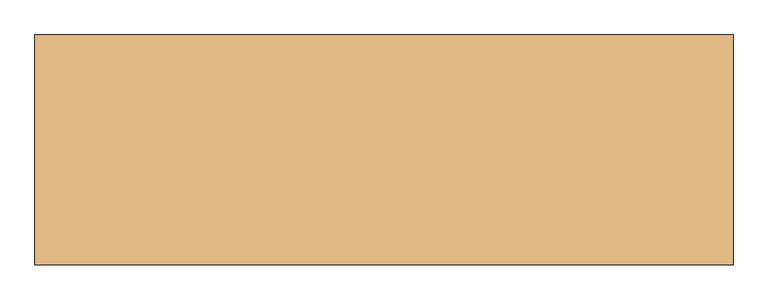
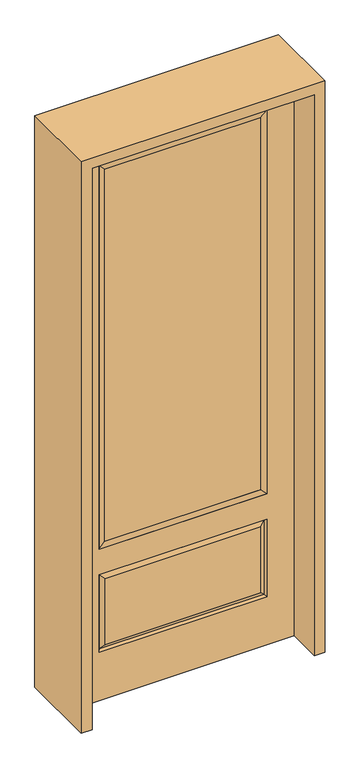
"""IFC4 building model written with IfcOpenShell, lengths in millimetres: door geometry."""

from ifc_helpers import new_model, si_unit, frame, origin, place, context, project, spatial, polyline, outline, extrude, faceted_brep, source, transform, mapped, element, save


def door_6a267a27(model_context):
    return source(origin(), model_context, "Body", "SolidModel", [
        extrude(outline(polyline([(320.675, -20.32), (-320.675, -20.32), (-320.675, 5.08), (320.675, 5.08), (320.675, -20.32)])), frame((0.0, 0.0, 682.498), z_axis=(0.0, 0.0, 1.0), x_axis=(1.0, 0.0, 0.0)), (0.0, 0.0, 1.0), 1616.202),
        faceted_brep([(-338.9661499, -12.7912373, 216.6588501), (338.9661499, -12.7912373, 216.6588501), (321.46875, -22.225, 234.15625), (-321.46875, -22.225, 234.15625), (-346.075, -22.225, 209.55), (346.075, -22.225, 209.55), (-338.9661499, -12.7912373, 538.9911499), (-346.075, -22.225, 546.1), (321.46875, -22.225, 521.49375), (-321.46875, -22.225, 521.49375), (457.2, -22.225, 2438.4), (-457.2, -22.225, 2438.4), (-457.2, -22.225, 0.0), (457.2, -22.225, 0.0), (346.075, -22.225, 546.1), (346.075, -22.225, 2324.1), (346.075, -22.225, 657.098), (-346.075, -22.225, 657.098), (-346.075, -22.225, 2324.1), (338.9661499, -12.7912373, 538.9911499), (-457.2, 22.225, 2438.4), (-457.2, 22.225, 0.0), (457.2, 22.225, 0.0), (457.2, 22.225, 2438.4), (346.075, 22.225, 2324.1), (346.075, 22.225, 657.098), (-346.075, 22.225, 657.098), (-346.075, 22.225, 2324.1), (-346.075, 22.225, 209.55), (346.075, 22.225, 209.55), (346.075, 22.225, 546.1), (-346.075, 22.225, 546.1), (321.46875, 22.225, 234.15625), (-321.46875, 22.225, 234.15625), (-321.46875, 22.225, 521.49375), (321.46875, 22.225, 521.49375), (-338.9661499, 12.7912373, 216.6588501), (338.9661499, 12.7912373, 216.6588501), (338.9661499, 12.7912373, 538.9911499), (-338.9661499, 12.7912373, 538.9911499)], [[[0, 1, 2, 3]], [[1, 0, 4, 5]], [[4, 0, 6, 7]], [[3, 2, 8, 9]], [[10, 11, 12, 13], [5, 4, 7, 14], [15, 16, 17, 18]], [[1, 5, 14, 19]], [[2, 1, 19, 8]], [[0, 3, 9, 6]], [[7, 6, 19, 14]], [[6, 9, 8, 19]], [[12, 11, 20, 21]], [[13, 12, 21, 22]], [[10, 13, 22, 23]], [[16, 15, 24, 25]], [[17, 16, 25, 26]], [[18, 17, 26, 27]], [[23, 22, 21, 20], [28, 29, 30, 31], [24, 27, 26, 25]], [[32, 33, 34, 35]], [[28, 36, 37, 29]], [[29, 37, 38, 30]], [[39, 31, 30, 38]], [[36, 28, 31, 39]], [[37, 36, 33, 32]], [[33, 36, 39, 34]], [[34, 39, 38, 35]], [[37, 32, 35, 38]], [[11, 10, 23, 20]], [[15, 18, 27, 24]]]),
        faceted_brep([(-346.075, -22.225, 2324.1), (-346.075, 22.225, 2324.1), (-346.075, 22.225, 657.098), (-346.075, -22.225, 657.098), (346.075, 22.225, 657.098), (346.075, -22.225, 657.098), (-320.675, 5.08, 682.498), (320.675, 5.08, 682.498), (346.075, 22.225, 2324.1), (346.075, -22.225, 2324.1), (-320.675, -20.32, 682.498), (320.675, -20.32, 682.498), (-320.675, -20.32, 2298.7), (320.675, -20.32, 2298.7), (-320.675, 5.08, 2298.7), (320.675, 5.08, 2298.7)], [[[0, 1, 2, 3]], [[3, 2, 4, 5]], [[2, 6, 7, 4]], [[5, 4, 8, 9]], [[10, 3, 5, 11]], [[12, 0, 3, 10]], [[11, 5, 9, 13]], [[6, 10, 11, 7]], [[14, 12, 10, 6]], [[7, 11, 13, 15]], [[1, 14, 6, 2]], [[4, 7, 15, 8]], [[9, 8, 1, 0]], [[13, 9, 0, 12]], [[15, 13, 12, 14]], [[8, 15, 14, 1]]]),
        extrude(outline(polyline([(2482.85, -501.65), (0.0, -501.65), (0.0, -457.2), (2438.4, -457.2), (2438.4, 457.2), (0.0, 457.2), (0.0, 501.65), (2482.85, 501.65), (2482.85, -501.65)])), frame((0.0, -165.1, 0.0), z_axis=(0.0, 1.0, 0.0), x_axis=(0.0, 0.0, 1.0)), (0.0, 0.0, 1.0), 330.2),
    ])


if __name__ == "__main__":
    model = new_model("IFC4")
    model_context = context("Model", 3, world=origin())
    ifc_project = project(units=[si_unit("LENGTHUNIT", "METRE", prefix="MILLI")], contexts=[model_context])
    site = spatial("IfcSite", under=ifc_project)
    building = spatial("IfcBuilding", under=site)
    placement = place(None, origin())
    door_shape = door_6a267a27(model_context)
    element("IfcDoor", 1, at=placement, inside=building, context=model_context, shape_type="MappedRepresentation", body=[
        mapped(door_shape, transform((0.0, 0.0, 0.0), x_axis=(1.0, 0.0, 0.0), y_axis=(0.0, 1.0, 0.0), z_axis=(0.0, 0.0, 1.0))),
    ])
    save(model, "model.ifc")
